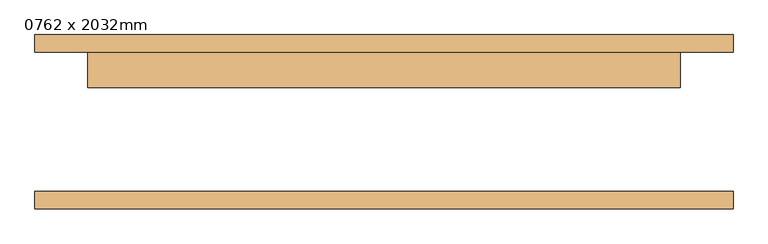
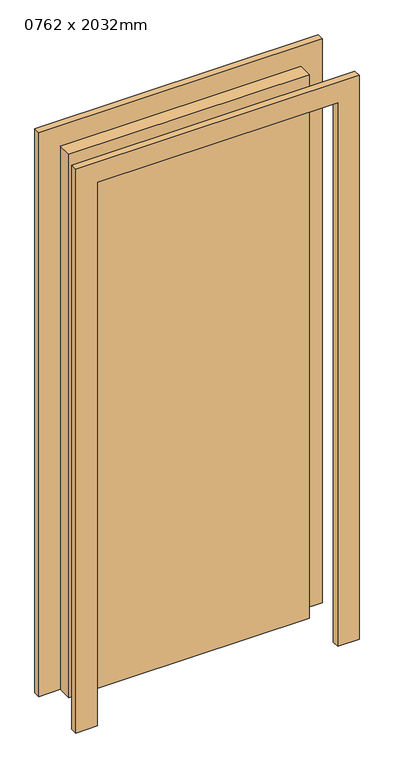
"""IFC4 building model written with IfcOpenShell, lengths in millimetres: door geometry, 0762 x 2032mm."""

from ifc_helpers import new_model, si_unit, frame, origin, origin_with_axes, place, context, project, spatial, polyline, outline, extrude, source, transform, mapped, element, save


def door_0762_x_2032mm_2aae530d(model_context):
    return source(origin(), model_context, "Body", "SweptSolid", [
        extrude(outline(polyline([(2108.0, -501.0), (0.0, -501.0), (0.0, -425.0), (2032.0, -425.0), (2032.0, 425.0), (0.0, 425.0), (0.0, 501.0), (2108.0, 501.0), (2108.0, -501.0)])), frame((0.0, 100.0, 0.0), z_axis=(0.0, 1.0, 0.0), x_axis=(0.0, 0.0, 1.0)), (0.0, 0.0, 1.0), 25.0),
        extrude(outline(polyline([(2108.0, 501.0), (2108.0, -501.0), (0.0, -501.0), (0.0, -425.0), (2032.0, -425.0), (2032.0, 425.0), (0.0, 425.0), (0.0, 501.0), (2108.0, 501.0)])), frame((0.0, -125.0, 0.0), z_axis=(0.0, 1.0, 0.0), x_axis=(0.0, 0.0, 1.0)), (0.0, 0.0, 1.0), 25.0),
        extrude(outline(polyline([(425.0, 49.0), (-425.0, 49.0), (-425.0, 100.0), (425.0, 100.0), (425.0, 49.0)])), origin_with_axes(), (0.0, 0.0, 1.0), 2032.0),
    ])


if __name__ == "__main__":
    model = new_model("IFC4")
    model_context = context("Model", 3, world=origin())
    ifc_project = project(units=[si_unit("LENGTHUNIT", "METRE", prefix="MILLI")], contexts=[model_context])
    site = spatial("IfcSite", under=ifc_project)
    building = spatial("IfcBuilding", under=site)
    placement = place(None, origin())
    door_0762_x_2032mm_shape = door_0762_x_2032mm_2aae530d(model_context)
    element("IfcDoor", 1, ObjectType="0762 x 2032mm", at=placement, inside=building, context=model_context, shape_type="MappedRepresentation", body=[
        mapped(door_0762_x_2032mm_shape, transform((0.0, 0.0, 0.0), x_axis=(1.0, 0.0, 0.0), y_axis=(0.0, 1.0, 0.0), z_axis=(0.0, 0.0, 1.0))),
    ])
    save(model, "model.ifc")
